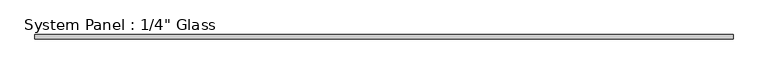
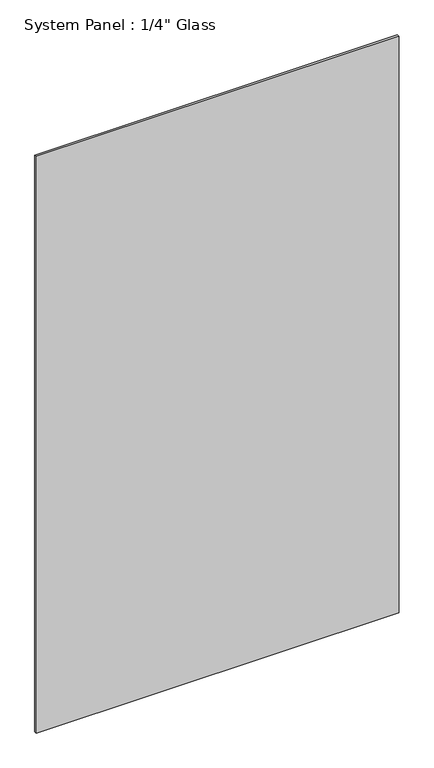
"""IFC4 building model written with IfcOpenShell, lengths in millimetres: plate geometry."""

from ifc_helpers import new_model, si_unit, origin, origin_with_axes, place, context, project, spatial, polyline, outline, extrude, source, transform, mapped, element, save


def plate_26b6bb23(model_context):
    return source(origin(), model_context, "Body", "SweptSolid", [
        extrude(outline(polyline([(504.825, -3.175), (-504.825, -3.175), (-504.825, 3.175), (504.825, 3.175), (504.825, -3.175)])), origin_with_axes(), (0.0, 0.0, 1.0), 1695.45),
    ])


if __name__ == "__main__":
    model = new_model("IFC4")
    model_context = context("Model", 3, world=origin())
    ifc_project = project(units=[si_unit("LENGTHUNIT", "METRE", prefix="MILLI")], contexts=[model_context])
    site = spatial("IfcSite", under=ifc_project)
    building = spatial("IfcBuilding", under=site)
    placement = place(None, origin())
    plate_shape = plate_26b6bb23(model_context)
    element("IfcPlate", 1, ObjectType="System Panel : 1/4\" Glass", at=placement, inside=building, context=model_context, shape_type="MappedRepresentation", body=[
        mapped(plate_shape, transform((0.0, 0.0, 0.0), x_axis=(1.0, 0.0, 0.0), y_axis=(0.0, 1.0, 0.0), z_axis=(0.0, 0.0, 1.0))),
    ])
    save(model, "model.ifc")
